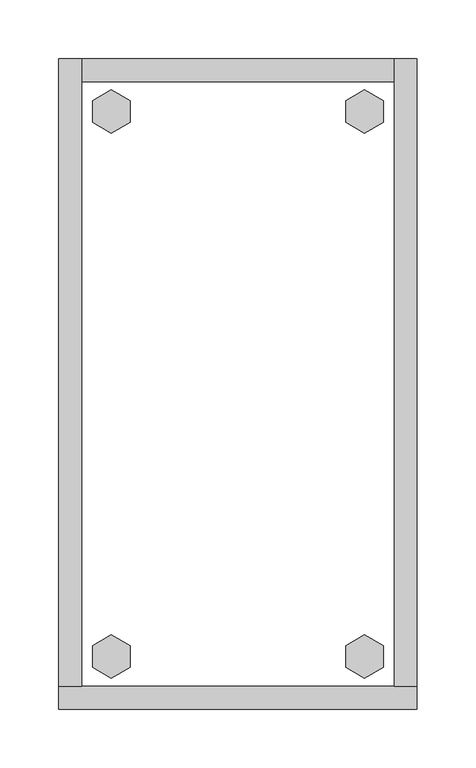
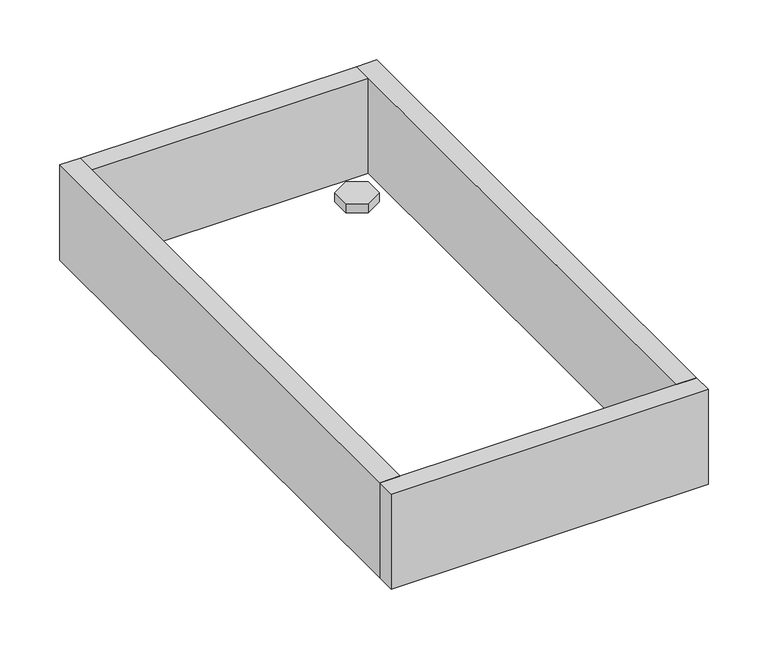
"""IFC4 building model written with IfcOpenShell, lengths in millimetres: furniture geometry."""

from ifc_helpers import new_model, si_unit, frame, origin, origin_with_axes, place, context, project, spatial, polyline, outline, extrude, source, transform, mapped, element, save


def furniture_eeb3a97a(model_context):
    return source(origin(), model_context, "Body", "SweptSolid", [
        extrude(outline(polyline([(282.2735422, -498.8179), (298.2214, -489.6104), (314.1692578, -498.8179), (314.1692578, -517.2329), (298.2214, -526.4404), (282.2735422, -517.2329), (282.2735422, -498.8179)])), origin_with_axes(), (0.0, 0.0, 1.0), 9.144),
        extrude(outline(polyline([(282.2735422, -35.4711), (298.2214, -26.2636), (314.1692578, -35.4711), (314.1692578, -53.8861), (298.2214, -63.0936), (282.2735422, -53.8861), (282.2735422, -35.4711)])), origin_with_axes(), (0.0, 0.0, 1.0), 9.144),
        extrude(outline(polyline([(66.8307422, -498.8179), (82.7786, -489.6104), (98.7264578, -498.8179), (98.7264578, -517.2329), (82.7786, -526.4404), (66.8307422, -517.2329), (66.8307422, -498.8179)])), origin_with_axes(), (0.0, 0.0, 1.0), 9.144),
        extrude(outline(polyline([(66.8307422, -35.4711), (82.7786, -26.2636), (98.7264578, -35.4711), (98.7264578, -53.8861), (82.7786, -63.0936), (66.8307422, -53.8861), (66.8307422, -35.4711)])), origin_with_axes(), (0.0, 0.0, 1.0), 9.144),
        extrude(outline(polyline([(57.404, 0.0), (57.404, -533.4), (38.1, -533.4), (38.1, 0.0), (57.404, 0.0)])), frame((0.0, 0.0, 4.699), z_axis=(0.0, 0.0, 1.0), x_axis=(1.0, 0.0, 0.0)), (0.0, 0.0, 1.0), 96.901),
        extrude(outline(polyline([(342.9, 0.0), (342.9, -533.4), (323.596, -533.4), (323.596, 0.0), (342.9, 0.0)])), frame((0.0, 0.0, 4.699), z_axis=(0.0, 0.0, 1.0), x_axis=(1.0, 0.0, 0.0)), (0.0, 0.0, 1.0), 96.901),
        extrude(outline(polyline([(323.596, -19.304), (57.404, -19.304), (57.404, 0.0), (323.596, 0.0), (323.596, -19.304)])), frame((0.0, 0.0, 4.699), z_axis=(0.0, 0.0, 1.0), x_axis=(1.0, 0.0, 0.0)), (0.0, 0.0, 1.0), 96.901),
        extrude(outline(polyline([(342.9, -533.4), (342.9, -552.704), (38.1, -552.704), (38.1, -533.4), (342.9, -533.4)])), frame((0.0, 0.0, 4.699), z_axis=(0.0, 0.0, 1.0), x_axis=(1.0, 0.0, 0.0)), (0.0, 0.0, 1.0), 96.901),
    ])


if __name__ == "__main__":
    model = new_model("IFC4")
    model_context = context("Model", 3, world=origin())
    ifc_project = project(units=[si_unit("LENGTHUNIT", "METRE", prefix="MILLI")], contexts=[model_context])
    site = spatial("IfcSite", under=ifc_project)
    building = spatial("IfcBuilding", under=site)
    placement = place(None, origin())
    furniture_shape = furniture_eeb3a97a(model_context)
    element("IfcFurniture", 1, at=placement, inside=building, context=model_context, shape_type="MappedRepresentation", body=[
        mapped(furniture_shape, transform((0.0, 0.0, 0.0), x_axis=(1.0, 0.0, 0.0), y_axis=(0.0, 1.0, 0.0), z_axis=(0.0, 0.0, 1.0))),
    ])
    save(model, "model.ifc")
